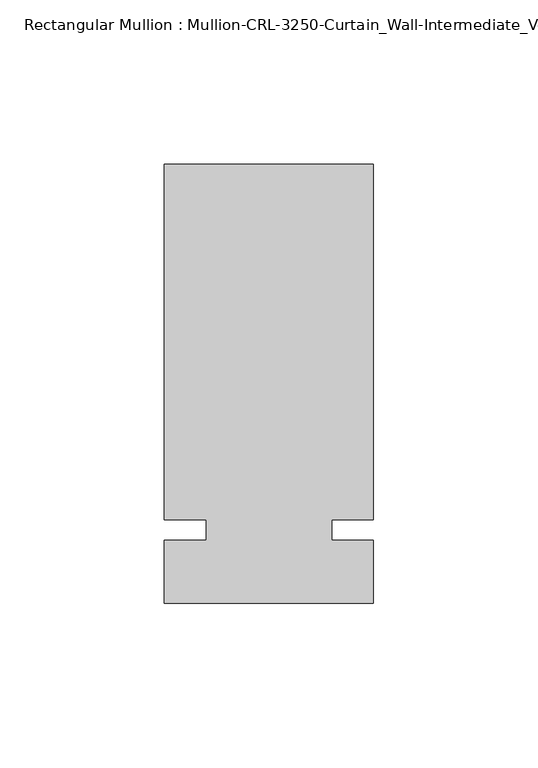
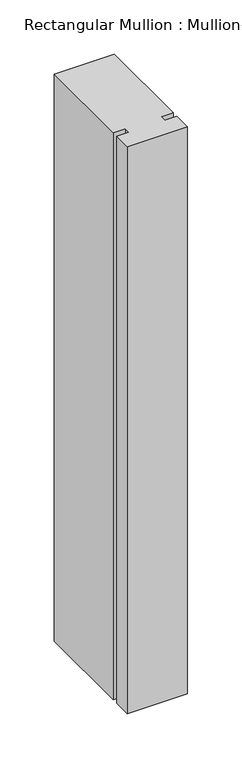
"""IFC4 building model written with IfcOpenShell, lengths in millimetres: member geometry."""

from ifc_helpers import new_model, si_unit, frame, origin, place, context, project, spatial, polyline, outline, extrude, source, transform, mapped, element, save


def member_fc0b9ae4(model_context):
    return source(origin(), model_context, "Body", "SweptSolid", [
        extrude(outline(polyline([(31.7499985, -3.175), (31.7499985, -22.2254168), (-31.7499985, -22.2254168), (-31.7499985, -3.175), (-19.0499985, -3.175), (-19.0499985, 3.175), (-31.7499985, 3.175), (-31.7499985, 111.1245832), (31.7499985, 111.1245832), (31.7499985, 3.175), (19.0499985, 3.175), (19.0499985, -3.175), (31.7499985, -3.175)])), frame((0.0, 0.0, -635.0), z_axis=(0.0, 0.0, 1.0), x_axis=(1.0, 0.0, 0.0)), (0.0, 0.0, 1.0), 635.0),
    ])


if __name__ == "__main__":
    model = new_model("IFC4")
    model_context = context("Model", 3, world=origin())
    ifc_project = project(units=[si_unit("LENGTHUNIT", "METRE", prefix="MILLI")], contexts=[model_context])
    site = spatial("IfcSite", under=ifc_project)
    building = spatial("IfcBuilding", under=site)
    placement = place(None, origin())
    member_shape = member_fc0b9ae4(model_context)
    element("IfcMember", 1, ObjectType="Rectangular Mullion : Mullion-CRL-3250-Curtain_Wall-Intermediate_Vertical-4\"", at=placement, inside=building, context=model_context, shape_type="MappedRepresentation", body=[
        mapped(member_shape, transform((0.0, 0.0, 0.0), x_axis=(1.0, 0.0, 0.0), y_axis=(0.0, 1.0, 0.0), z_axis=(0.0, 0.0, 1.0))),
    ])
    save(model, "model.ifc")
